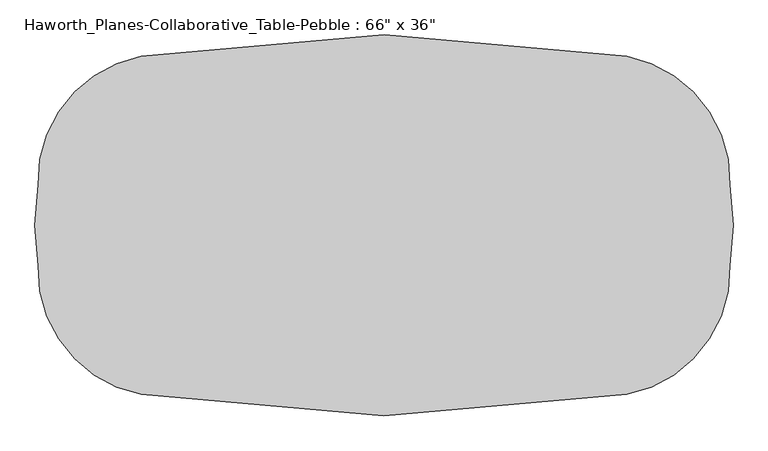
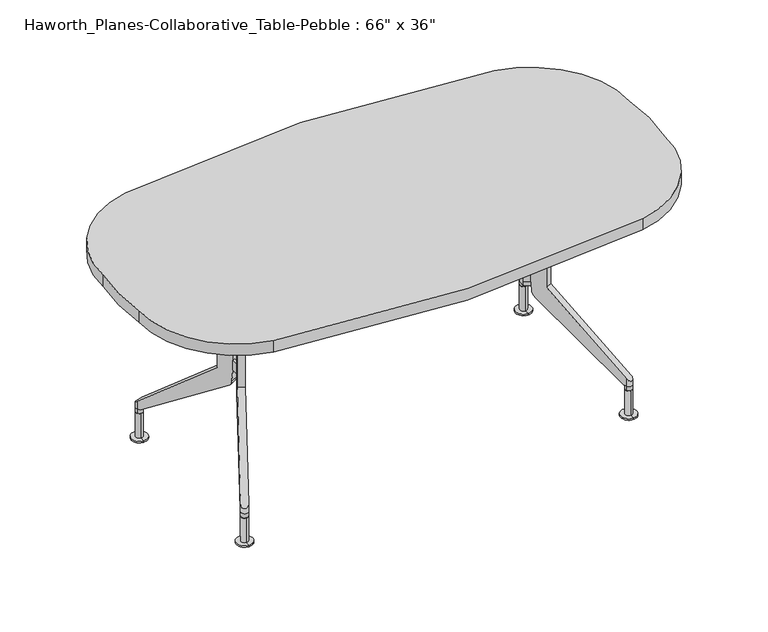
"""IFC4 building model written with IfcOpenShell, lengths in millimetres: furniture geometry."""

from ifc_helpers import new_model, si_unit, point, frame, frame_2d, origin, place, context, project, spatial, circle_curve, ellipse_curve, trimmed, segment, composite_curve, outline, extrude, source, transform, mapped, element, save
from ifc_brep_helpers import plane_surface, cylinder_surface, advanced_brep


def furniture_317c2e0c(model_context):
    return source(origin(), model_context, "Body", "SolidModel", [
        extrude(outline(composite_curve([segment(trimmed(circle_curve(frame_2d((525.669374, 106.7650968)), 304.8), [point((583.0794004, 406.1095955))], [point((830.3322689, 97.6239548))], False, "CARTESIAN"), True, "CONTINUOUS"), segment(trimmed(circle_curve(frame_2d((228.6, 0.0)), 609.6), [point((830.3322689, 97.6239548))], [point((830.3322689, -97.6239548))], False, "CARTESIAN"), True, "CONTINUOUS"), segment(trimmed(circle_curve(frame_2d((525.669374, -106.7650968)), 304.8), [point((830.3322689, -97.6239548))], [point((583.0794013, -406.1095953))], False, "CARTESIAN"), True, "CONTINUOUS"), segment(trimmed(circle_curve(frame_2d((0.0, 2895.6)), 3352.8), [point((583.0794013, -406.1095953))], [point((-583.0794031, -406.109595))], False, "CARTESIAN"), True, "CONTINUOUS"), segment(trimmed(circle_curve(frame_2d((-525.669374, -106.7650969)), 304.8), [point((-583.0794031, -406.109595))], [point((-830.3322689, -97.6239549))], False, "CARTESIAN"), True, "CONTINUOUS"), segment(trimmed(circle_curve(frame_2d((-228.6, 0.0)), 609.6), [point((-830.3322689, -97.6239549))], [point((-830.3322689, 97.6239548))], False, "CARTESIAN"), True, "CONTINUOUS"), segment(trimmed(circle_curve(frame_2d((-525.669374, 106.7650968)), 304.8), [point((-830.3322689, 97.6239548))], [point((-583.0793987, 406.1095958))], False, "CARTESIAN"), True, "CONTINUOUS"), segment(trimmed(circle_curve(frame_2d((0.0, -2895.6)), 3352.8), [point((-583.0793987, 406.1095958))], [point((583.0794004, 406.1095955))], False, "CARTESIAN"), True, "CONTINUOUS")], self_intersect=False)), frame((0.0, 0.0, 698.5), z_axis=(0.0, 0.0, 1.0), x_axis=(1.0, 0.0, 0.0)), (0.0, 0.0, 1.0), 38.1),
        advanced_brep(
        [(606.425, -276.6169029, 87.3125), (596.6062702, -292.9500622, 87.3125), (606.4071566, -298.8418958, 87.3125), (606.4160783, -287.7293994, 87.3125), (616.2298221, -282.5161384, 87.3125), (606.4160783, -287.7293994, 0.0), (606.3956859, -313.1293912, 0.0), (606.4364707, -262.3294076, 0.0), (606.3956859, -313.1293912, 4.7625), (606.4364707, -262.3294076, 4.7625), (606.4071566, -298.8418958, 4.7625), (606.425, -276.6169029, 4.7625), (606.4071566, -298.8418958, 81.9372337)],
        [
            (0, 1, circle_curve(frame((606.4160783, -287.7293994, 87.3125), z_axis=(0.0, 0.0, 1.0), x_axis=(0.0008028513696700732, 0.9999996777147871, 0.0)), 11.1125)),
            (1, 2, circle_curve(frame((606.4160783, -287.7293994, 87.3125), z_axis=(0.0, 0.0, 1.0), x_axis=(0.0008028513696700732, 0.9999996777147871, 0.0)), 11.1125)),
            (2, 3),
            (3, 0),
            (2, 4, circle_curve(frame((606.4160783, -287.7293994, 87.3125), z_axis=(0.0, 0.0, 1.0), x_axis=(0.0008028513696700732, 0.9999996777147871, 0.0)), 11.1125)),
            (4, 0, circle_curve(frame((606.4160783, -287.7293994, 87.3125), z_axis=(0.0, 0.0, 1.0), x_axis=(0.0008028513696700732, 0.9999996777147871, 0.0)), 11.1125)),
            (5, 6),
            (6, 7, circle_curve(frame((606.4160783, -287.7293994, 0.0), z_axis=(0.0, 0.0, -1.0), x_axis=(0.0008028513696700732, 0.9999996777147871, 0.0)), 25.4)),
            (7, 5),
            (7, 6, circle_curve(frame((606.4160783, -287.7293994, 0.0), z_axis=(0.0, 0.0, -1.0), x_axis=(0.0008028513696700732, 0.9999996777147871, 0.0)), 25.4)),
            (6, 8),
            (8, 9, circle_curve(frame((606.4160783, -287.7293994, 4.7625), z_axis=(0.0, 0.0, -1.0), x_axis=(0.0008028513696700732, 0.9999996777147871, 0.0)), 25.4)),
            (9, 7),
            (9, 8, circle_curve(frame((606.4160783, -287.7293994, 4.7625), z_axis=(0.0, 0.0, -1.0), x_axis=(0.0008028513696700732, 0.9999996777147871, 0.0)), 25.4)),
            (8, 10),
            (10, 11, circle_curve(frame((606.4160783, -287.7293994, 4.7625), z_axis=(0.0, 0.0, -1.0), x_axis=(0.0008028513696700732, 0.9999996777147871, 0.0)), 11.1125)),
            (11, 9),
            (11, 10, circle_curve(frame((606.4160783, -287.7293994, 4.7625), z_axis=(0.0, 0.0, -1.0), x_axis=(0.0008028513696700732, 0.9999996777147871, 0.0)), 11.1125)),
            (10, 12),
            (12, 2),
            (0, 11),
        ],
        [
            plane_surface(frame((606.4160783, -287.7293994, 87.3125), z_axis=(0.0, 0.0, 1.0), x_axis=(0.0008028513696700732, 0.9999996777147871, 0.0))),
            plane_surface(frame((606.4160783, -287.7293994, 0.0), z_axis=(0.0, 0.0, -1.0), x_axis=(0.0008028513696700732, 0.9999996777147871, 0.0))),
            cylinder_surface(frame((606.4160783, -287.7293994, 87.0927212), z_axis=(0.0, 0.0, -1.0), x_axis=(0.0008028513696700732, 0.9999996777147871, 0.0)), 25.4),
            plane_surface(frame((606.4160783, -287.7293994, 4.7625), z_axis=(0.0, 0.0, 1.0), x_axis=(0.0008028513696700732, 0.9999996777147871, 0.0))),
            cylinder_surface(frame((606.4160783, -287.7293994, 87.0927212), z_axis=(0.0, 0.0, -1.0), x_axis=(0.0008028513696700732, 0.9999996777147871, 0.0)), 11.1125),
        ],
        [
            (0, [[1, 2, 3, 4]]),
            (0, [[-3, 5, 6, -4]]),
            (1, [[7, 8, 9]]),
            (1, [[10, -7, -9]]),
            (2, [[11, 12, 13, -8]]),
            (2, [[-13, 14, -11, -10]]),
            (3, [[15, 16, 17, -12]]),
            (3, [[-17, 18, -15, -14]]),
            (4, [[19, 20, -2, -1, 21, -16]]),
            (4, [[-21, -6, -5, -20, -19, -18]]),
        ],
    ),
        advanced_brep(
        [(606.4339217, 287.7294065, 87.3125), (606.425, 298.8419029, 87.3125), (606.4428434, 276.6169101, 87.3125), (606.4135293, 313.1293983, 0.0), (606.4339217, 287.7294065, 0.0), (606.4543141, 262.3294147, 0.0), (606.4135293, 313.1293983, 4.7625), (606.4543141, 262.3294147, 4.7625), (606.425, 298.8419029, 4.7625), (606.4428434, 276.6169101, 4.7625)],
        [
            (0, 1),
            (1, 2, circle_curve(frame((606.4339217, 287.7294065, 87.3125), z_axis=(0.0, 0.0, 1.0), x_axis=(0.0008028513696700732, -0.9999996777147871, 0.0)), 11.1125)),
            (2, 0),
            (2, 1, circle_curve(frame((606.4339217, 287.7294065, 87.3125), z_axis=(0.0, 0.0, 1.0), x_axis=(0.0008028513696700732, -0.9999996777147871, 0.0)), 11.1125)),
            (3, 4),
            (4, 5),
            (5, 3, circle_curve(frame((606.4339217, 287.7294065, 0.0), z_axis=(0.0, 0.0, -1.0), x_axis=(0.0008028513696700732, -0.9999996777147871, 0.0)), 25.4)),
            (3, 5, circle_curve(frame((606.4339217, 287.7294065, 0.0), z_axis=(0.0, 0.0, -1.0), x_axis=(0.0008028513696700732, -0.9999996777147871, 0.0)), 25.4)),
            (6, 3),
            (5, 7),
            (7, 6, circle_curve(frame((606.4339217, 287.7294065, 4.7625), z_axis=(0.0, 0.0, -1.0), x_axis=(0.0008028513696700732, -0.9999996777147871, 0.0)), 25.4)),
            (6, 7, circle_curve(frame((606.4339217, 287.7294065, 4.7625), z_axis=(0.0, 0.0, -1.0), x_axis=(0.0008028513696700732, -0.9999996777147871, 0.0)), 25.4)),
            (8, 6),
            (7, 9),
            (9, 8, circle_curve(frame((606.4339217, 287.7294065, 4.7625), z_axis=(0.0, 0.0, -1.0), x_axis=(0.0008028513696700732, -0.9999996777147871, 0.0)), 11.1125)),
            (8, 9, circle_curve(frame((606.4339217, 287.7294065, 4.7625), z_axis=(0.0, 0.0, -1.0), x_axis=(0.0008028513696700732, -0.9999996777147871, 0.0)), 11.1125)),
            (1, 8),
            (9, 2),
        ],
        [
            plane_surface(frame((606.4339217, 287.7294065, 87.3125), z_axis=(0.0, 0.0, 1.0), x_axis=(0.0008028513696700732, -0.9999996777147871, 0.0))),
            plane_surface(frame((606.4339217, 287.7294065, 0.0), z_axis=(0.0, 0.0, -1.0), x_axis=(0.0008028513696700732, -0.9999996777147871, 0.0))),
            cylinder_surface(frame((606.4339217, 287.7294065, 87.0927212), z_axis=(0.0, 0.0, 1.0), x_axis=(0.0008028513696700732, -0.9999996777147871, 0.0)), 25.4),
            plane_surface(frame((606.4339217, 287.7294065, 4.7625), z_axis=(0.0, 0.0, 1.0), x_axis=(0.0008028513696700732, -0.9999996777147871, 0.0))),
            cylinder_surface(frame((606.4339217, 287.7294065, 87.0927212), z_axis=(0.0, 0.0, 1.0), x_axis=(0.0008028513696700732, -0.9999996777147871, 0.0)), 11.1125),
        ],
        [
            (0, [[1, 2, 3]]),
            (0, [[-3, 4, -1]]),
            (1, [[5, 6, 7]]),
            (1, [[-6, -5, 8]]),
            (2, [[9, -7, 10, 11]]),
            (2, [[-10, -8, -9, 12]]),
            (3, [[13, -11, 14, 15]]),
            (3, [[-14, -12, -13, 16]]),
            (4, [[17, -15, 18, -2]]),
            (4, [[-18, -16, -17, -4]]),
        ],
    ),
        advanced_brep(
        [(471.4875, 10.2759364, 346.075), (471.4875, -10.2759364, 346.075), (463.1624427, -14.7024039, 346.075), (463.1624427, 14.7024039, 346.075), (463.1624427, -14.7024039, 377.825), (463.1624427, 14.7024039, 377.825), (471.4875, -10.2759364, 377.825), (471.4875, 10.2759364, 377.825), (596.6132234, 292.9463652, 127.0692937), (616.2367766, 282.5124407, 127.0692937), (616.2367766, 282.5124407, 102.60711), (596.6132234, 292.9463652, 102.60711), (475.7129171, 65.5636971, 698.5), (475.7129171, 65.5636971, 336.5430612), (592.2759245, 284.7890113, 102.60711), (458.4901681, 33.1720949, 289.5346), (453.0554044, 22.9506894, 309.598894), (451.8639467, 20.709861, 345.8924055), (451.8639467, 20.709861, 698.5), (495.3364704, 55.1297725, 698.5), (471.4875, 10.2759364, 698.5), (471.4875, 10.2759364, 345.8924055), (472.6789577, 12.5167648, 309.598894), (478.1137214, 22.7381703, 289.5346), (611.8994778, 274.3550868, 102.60711), (495.3364704, 55.1297725, 336.5430612), (596.6353129, 282.4711065, 102.60711), (607.5400894, 276.6729916, 102.60711), (616.2367766, 282.5124407, 87.3125), (596.6132234, 292.9463652, 87.3125), (596.6132234, -292.9463652, 102.60711), (616.2367766, -282.5124407, 102.60711), (616.2367766, -282.5124407, 127.0692937), (596.6132234, -292.9463652, 127.0692937), (475.7129171, -65.5636971, 698.5), (451.8639467, -20.709861, 698.5), (451.8639467, -20.709861, 345.8924055), (453.0554044, -22.9506894, 309.598894), (458.4901681, -33.1720949, 289.5346), (592.2759245, -284.7890113, 102.60711), (475.7129171, -65.5636971, 336.5430612), (495.3364704, -55.1297725, 698.5), (495.3364704, -55.1297725, 336.5430612), (611.8994778, -274.3550868, 102.60711), (478.1137214, -22.7381703, 289.5346), (472.6789577, -12.5167648, 309.598894), (471.4875, -10.2759364, 345.8924055), (471.4875, -10.2759364, 698.5), (607.5400894, -276.6729916, 102.60711), (596.6353129, -282.4711065, 102.60711), (616.2367766, -282.5124407, 87.3125), (596.6132234, -292.9463652, 87.3125)],
        [
            (0, 1),
            (1, 2),
            (2, 3),
            (3, 0),
            (2, 4),
            (4, 5),
            (5, 3),
            (4, 6),
            (6, 7),
            (7, 5),
            (6, 1),
            (0, 7),
            (8, 9, ellipse_curve(frame((606.425, 287.7294029, 127.0692937), z_axis=(-0.2962420452940763, -0.5571557985508705, -0.7757693386188477), x_axis=(0.36419881858687636, 0.6849651723124673, -0.6310165871503504)), 14.3244898, 11.1125)),
            (9, 10),
            (10, 11, circle_curve(frame((606.425, 287.7294029, 102.60711), z_axis=(0.0, 0.0, 1.0), x_axis=(-0.8829495292143882, 0.4694679210128104, 0.0)), 11.1125)),
            (11, 8),
            (12, 13),
            (13, 8),
            (11, 14),
            (14, 15),
            (15, 16, circle_curve(frame((465.4363015, 46.2360018, 311.4430172), z_axis=(-0.8829495292143855, 0.4694679210128154, 0.0), x_axis=(-0.4694679210128154, -0.8829495292143855, 0.0)), 26.4365879)),
            (16, 17),
            (17, 18),
            (18, 12),
            (19, 20),
            (20, 7),
            (0, 21),
            (21, 22),
            (22, 23, circle_curve(frame((485.0598548, 35.8020773, 311.4430172), z_axis=(0.8829495292143855, -0.4694679210128154, 0.0), x_axis=(-0.4694679210128154, -0.8829495292143855, 0.0)), 26.4365879)),
            (23, 24),
            (24, 10),
            (9, 25),
            (25, 19),
            (18, 20),
            (19, 12),
            (17, 21),
            (16, 22),
            (15, 23),
            (14, 26),
            (26, 27),
            (27, 24),
            (13, 25),
            (27, 10, circle_curve(frame((606.425, 287.7294029, 102.60711), z_axis=(0.0, 0.0, 1.0), x_axis=(-0.8829495292143882, 0.4694679210128104, 0.0)), 11.1125)),
            (11, 26, circle_curve(frame((606.425, 287.7294029, 102.60711), z_axis=(0.0, 0.0, 1.0), x_axis=(-0.8829495292143882, 0.4694679210128104, 0.0)), 11.1125)),
            (26, 27, circle_curve(frame((606.425, 287.7294029, 102.60711), z_axis=(0.0, 0.0, 1.0), x_axis=(-0.8829495292143882, 0.4694679210128104, 0.0)), 11.1125)),
            (28, 29, circle_curve(frame((606.425, 287.7294029, 87.3125), z_axis=(0.0, 0.0, -1.0), x_axis=(-0.8829495292143882, 0.4694679210128104, 0.0)), 11.1125)),
            (29, 28, circle_curve(frame((606.425, 287.7294029, 87.3125), z_axis=(0.0, 0.0, -1.0), x_axis=(-0.8829495292143882, 0.4694679210128104, 0.0)), 11.1125)),
            (29, 11),
            (10, 28),
            (30, 31, circle_curve(frame((606.425, -287.7294029, 102.60711), z_axis=(0.0, 0.0, 1.0), x_axis=(-0.8829495292143882, -0.4694679210128104, 0.0)), 11.1125)),
            (31, 32),
            (32, 33, ellipse_curve(frame((606.425, -287.7294029, 127.0692937), z_axis=(-0.29624204529407705, 0.5571557985508702, -0.7757693386188476), x_axis=(0.36419881858687714, -0.6849651723124666, -0.6310165871503505)), 14.3244898, 11.1125)),
            (33, 30),
            (34, 35),
            (35, 36),
            (36, 37),
            (37, 38, circle_curve(frame((465.4363015, -46.2360018, 311.4430172), z_axis=(-0.8829495292143855, -0.4694679210128154, 0.0), x_axis=(-0.4694679210128154, 0.8829495292143855, 0.0)), 26.4365879)),
            (38, 39),
            (39, 30),
            (33, 40),
            (40, 34),
            (41, 42),
            (42, 32),
            (31, 43),
            (43, 44),
            (44, 45, circle_curve(frame((485.0598548, -35.8020773, 311.4430172), z_axis=(0.8829495292143855, 0.4694679210128154, 0.0), x_axis=(-0.4694679210128154, 0.8829495292143855, 0.0)), 26.4365879)),
            (45, 46),
            (46, 1),
            (6, 47),
            (47, 41),
            (34, 41),
            (47, 35),
            (46, 36),
            (45, 37),
            (44, 38),
            (43, 48),
            (48, 49),
            (49, 39),
            (42, 40),
            (49, 30, circle_curve(frame((606.425, -287.7294029, 102.60711), z_axis=(0.0, 0.0, 1.0), x_axis=(-0.8829495292143882, -0.4694679210128104, 0.0)), 11.1125)),
            (31, 48, circle_curve(frame((606.425, -287.7294029, 102.60711), z_axis=(0.0, 0.0, 1.0), x_axis=(-0.8829495292143882, -0.4694679210128104, 0.0)), 11.1125)),
            (48, 49, circle_curve(frame((606.425, -287.7294029, 102.60711), z_axis=(0.0, 0.0, 1.0), x_axis=(-0.8829495292143882, -0.4694679210128104, 0.0)), 11.1125)),
            (50, 51, circle_curve(frame((606.425, -287.7294029, 87.3125), z_axis=(0.0, 0.0, -1.0), x_axis=(-0.8829495292143882, -0.4694679210128104, 0.0)), 11.1125)),
            (51, 50, circle_curve(frame((606.425, -287.7294029, 87.3125), z_axis=(0.0, 0.0, -1.0), x_axis=(-0.8829495292143882, -0.4694679210128104, 0.0)), 11.1125)),
            (50, 31),
            (30, 51),
        ],
        [
            plane_surface(frame((471.4875, -25.4, 346.075), z_axis=(0.0, 0.0, -1.0), x_axis=(0.0, 1.0, 0.0))),
            plane_surface(frame((463.1624427, -25.4, 346.075), z_axis=(-1.0, 0.0, 0.0), x_axis=(0.0, 1.0, 0.0))),
            plane_surface(frame((463.1624427, -25.4, 377.825), z_axis=(0.0, 0.0, 1.0), x_axis=(0.0, 1.0, 0.0))),
            plane_surface(frame((471.4875, -25.4, 377.825), z_axis=(1.0, 0.0, 0.0), x_axis=(0.0, 1.0, 0.0))),
            cylinder_surface(frame((606.425, 287.7294029, 81.9372337), z_axis=(0.0, 0.0, -1.0), x_axis=(-0.8829495292143882, 0.4694679210128104, 0.0)), 11.1125),
            plane_surface(frame((451.8639467, 20.709861, 698.5), z_axis=(-0.8829495292143855, 0.4694679210128154, 0.0), x_axis=(-0.4694679210128154, -0.8829495292143855, 0.0))),
            plane_surface(frame((471.4875, 10.2759364, 698.5), z_axis=(0.8829495292143855, -0.4694679210128154, 0.0), x_axis=(0.4694679210128154, 0.8829495292143855, 0.0))),
            plane_surface(frame((475.7129171, 65.5636971, 698.5), z_axis=(0.0, 0.0, 1.0000000000000002), x_axis=(0.8829495292143855, -0.4694679210128154, 0.0))),
            plane_surface(frame((451.8639467, 20.709861, 698.5), z_axis=(-0.4694679210128153, -0.8829495292143855, 0.0), x_axis=(0.8829495292143855, -0.4694679210128153, 0.0))),
            plane_surface(frame((451.8639467, 20.709861, 345.8924055), z_axis=(-0.4683243207526016, -0.880798708538104, -0.06975647374418203), x_axis=(0.8829495292143855, -0.4694679210128154, 0.0))),
            cylinder_surface(frame((485.0598548, 35.8020773, 311.4430172), z_axis=(-0.8829495292143855, 0.4694679210128154, 0.0), x_axis=(-0.4694679210128154, -0.8829495292143855, 0.0)), 26.4365879),
            plane_surface(frame((458.4901681, 33.1720949, 289.5346), z_axis=(-0.2574936485451524, -0.48427993816521164, -0.8361638370855348), x_axis=(0.8829495292143855, -0.4694679210128154, 0.0))),
            plane_surface(frame((602.625069, 304.2531149, 116.6530756), z_axis=(0.2962420452940763, 0.5571557985508705, 0.7757693386188477), x_axis=(0.8829495292143861, -0.4694679210128142, 0.0))),
            plane_surface(frame((475.7129171, 65.5636971, 336.5430612), z_axis=(0.4694679210128154, 0.8829495292143855, 0.0), x_axis=(0.8829495292143855, -0.4694679210128154, 0.0))),
            plane_surface(frame((592.2759245, 284.7890113, 102.60711), z_axis=(0.0, 0.0, -1.0), x_axis=(0.8829495292143861, -0.4694679210128142, 0.0))),
            plane_surface(frame((596.6132234, 292.9463652, 102.60711), z_axis=(0.0, 0.0, 1.0), x_axis=(0.4694679210128104, 0.8829495292143882, 0.0))),
            plane_surface(frame((596.6132234, 292.9463652, 87.3125), z_axis=(0.0, 0.0, -1.0), x_axis=(-0.4694679210128104, -0.8829495292143882, 0.0))),
            cylinder_surface(frame((606.425, 287.7294029, 87.3125), z_axis=(0.0, 0.0, 1.0), x_axis=(-0.8829495292143882, 0.4694679210128104, 0.0)), 11.1125),
            cylinder_surface(frame((606.425, -287.7294029, 81.9372337), z_axis=(0.0, 0.0, -1.0), x_axis=(-0.8829495292143882, -0.4694679210128104, 0.0)), 11.1125),
            plane_surface(frame((475.7129171, -65.5636971, 336.5430612), z_axis=(-0.8829495292143855, -0.4694679210128154, 0.0), x_axis=(0.0, 0.0, -1.0))),
            plane_surface(frame((495.3364704, -55.1297725, 336.5430612), z_axis=(0.8829495292143855, 0.4694679210128154, 0.0), x_axis=(0.0, 0.0, 1.0))),
            plane_surface(frame((451.8639467, -20.709861, 698.5), z_axis=(0.0, 0.0, 1.0000000000000002), x_axis=(0.8829495292143855, 0.4694679210128154, 0.0))),
            plane_surface(frame((451.8639467, -20.709861, 345.8924055), z_axis=(-0.4694679210128154, 0.8829495292143855, 0.0), x_axis=(0.8829495292143855, 0.4694679210128154, 0.0))),
            plane_surface(frame((453.0554044, -22.9506894, 309.598894), z_axis=(-0.4683243207526023, 0.8807987085381044, -0.06975647374417179), x_axis=(0.8829495292143853, 0.4694679210128158, 0.0))),
            cylinder_surface(frame((485.0598548, -35.8020773, 311.4430172), z_axis=(-0.8829495292143855, -0.4694679210128154, 0.0), x_axis=(-0.4694679210128154, 0.8829495292143855, 0.0)), 26.4365879),
            plane_surface(frame((592.2759245, -284.7890113, 102.60711), z_axis=(-0.25749364854515144, 0.48427993816520987, -0.8361638370855359), x_axis=(0.8829495292143855, 0.4694679210128154, 0.0))),
            plane_surface(frame((475.7129171, -65.5636971, 336.5430612), z_axis=(0.2962420452940771, -0.5571557985508703, 0.7757693386188478), x_axis=(0.8829495292143855, 0.4694679210128154, 0.0))),
            plane_surface(frame((475.7129171, -65.5636971, 698.5), z_axis=(0.4694679210128154, -0.8829495292143855, 0.0), x_axis=(0.8829495292143855, 0.4694679210128154, 0.0))),
            plane_surface(frame((602.625069, -304.2531149, 102.60711), z_axis=(0.0, 0.0, -1.0), x_axis=(0.8829495292143853, 0.4694679210128157, 0.0))),
            plane_surface(frame((596.6132234, -292.9463652, 102.60711), z_axis=(0.0, 0.0, 1.0), x_axis=(-0.4694679210128104, 0.8829495292143882, 0.0))),
            plane_surface(frame((596.6132234, -292.9463652, 87.3125), z_axis=(0.0, 0.0, -1.0), x_axis=(0.4694679210128104, -0.8829495292143882, 0.0))),
            cylinder_surface(frame((606.425, -287.7294029, 87.3125), z_axis=(0.0, 0.0, 1.0), x_axis=(-0.8829495292143882, -0.4694679210128104, 0.0)), 11.1125),
        ],
        [
            (0, [[1, 2, 3, 4]]),
            (1, [[-3, 5, 6, 7]]),
            (2, [[-6, 8, 9, 10]]),
            (3, [[-9, 11, -1, 12]]),
            (4, [[13, 14, 15, 16]]),
            (5, [[17, 18, -16, 19, 20, 21, 22, 23, 24]]),
            (6, [[25, 26, -12, 27, 28, 29, 30, 31, -14, 32, 33]]),
            (7, [[34, -25, 35, -24]]),
            (8, [[36, -27, -4, -7, -10, -26, -34, -23]]),
            (9, [[37, -28, -36, -22]]),
            (10, [[38, -29, -37, -21]]),
            (11, [[39, 40, 41, -30, -38, -20]]),
            (12, [[-32, -13, -18, 42]]),
            (13, [[-35, -33, -42, -17]]),
            (14, [[-41, 43, -31]]),
            (14, [[44, -39, -19]]),
            (15, [[-40, 45]]),
            (16, [[46, 47]]),
            (17, [[48, -15, 49, -47]]),
            (17, [[-49, -43, -45, -44, -48, -46]]),
            (18, [[50, 51, 52, 53]]),
            (19, [[54, 55, 56, 57, 58, 59, -53, 60, 61]]),
            (20, [[62, 63, -51, 64, 65, 66, 67, 68, -11, 69, 70]]),
            (21, [[71, -70, 72, -54]]),
            (22, [[-72, -69, -8, -5, -2, -68, 73, -55]]),
            (23, [[-73, -67, 74, -56]]),
            (24, [[-74, -66, 75, -57]]),
            (25, [[-75, -65, 76, 77, 78, -58]]),
            (26, [[-60, -52, -63, 79]]),
            (27, [[-79, -62, -71, -61]]),
            (28, [[-78, 80, -59]]),
            (28, [[81, -76, -64]]),
            (29, [[-77, 82]]),
            (30, [[83, 84]]),
            (31, [[85, -50, 86, -83]]),
            (31, [[-86, -80, -82, -81, -85, -84]]),
        ],
    ),
        advanced_brep(
        [(-606.425, -276.6169029, 87.3125), (-606.4160783, -287.7293994, 87.3125), (-606.4071566, -298.8418958, 87.3125), (-596.6062702, -292.9500622, 87.3125), (-616.2298221, -282.5161384, 87.3125), (-606.4160783, -287.7293994, 0.0), (-606.4364707, -262.3294076, 0.0), (-606.3956859, -313.1293912, 0.0), (-606.4364707, -262.3294076, 4.7625), (-606.3956859, -313.1293912, 4.7625), (-606.425, -276.6169029, 4.7625), (-606.4071566, -298.8418958, 4.7625), (-606.4071566, -298.8418958, 81.9372337)],
        [
            (0, 1),
            (1, 2),
            (2, 3, circle_curve(frame((-606.4160783, -287.7293994, 87.3125), z_axis=(0.0, 0.0, 1.0), x_axis=(-0.0008028513696700732, 0.9999996777147871, 0.0)), 11.1125)),
            (3, 0, circle_curve(frame((-606.4160783, -287.7293994, 87.3125), z_axis=(0.0, 0.0, 1.0), x_axis=(-0.0008028513696700732, 0.9999996777147871, 0.0)), 11.1125)),
            (0, 4, circle_curve(frame((-606.4160783, -287.7293994, 87.3125), z_axis=(0.0, 0.0, 1.0), x_axis=(-0.0008028513696700732, 0.9999996777147871, 0.0)), 11.1125)),
            (4, 2, circle_curve(frame((-606.4160783, -287.7293994, 87.3125), z_axis=(0.0, 0.0, 1.0), x_axis=(-0.0008028513696700732, 0.9999996777147871, 0.0)), 11.1125)),
            (5, 6),
            (6, 7, circle_curve(frame((-606.4160783, -287.7293994, 0.0), z_axis=(0.0, 0.0, -1.0), x_axis=(-0.0008028513696700732, 0.9999996777147871, 0.0)), 25.4)),
            (7, 5),
            (7, 6, circle_curve(frame((-606.4160783, -287.7293994, 0.0), z_axis=(0.0, 0.0, -1.0), x_axis=(-0.0008028513696700732, 0.9999996777147871, 0.0)), 25.4)),
            (6, 8),
            (8, 9, circle_curve(frame((-606.4160783, -287.7293994, 4.7625), z_axis=(0.0, 0.0, -1.0), x_axis=(-0.0008028513696700732, 0.9999996777147871, 0.0)), 25.4)),
            (9, 7),
            (9, 8, circle_curve(frame((-606.4160783, -287.7293994, 4.7625), z_axis=(0.0, 0.0, -1.0), x_axis=(-0.0008028513696700732, 0.9999996777147871, 0.0)), 25.4)),
            (8, 10),
            (10, 11, circle_curve(frame((-606.4160783, -287.7293994, 4.7625), z_axis=(0.0, 0.0, -1.0), x_axis=(-0.0008028513696700732, 0.9999996777147871, 0.0)), 11.1125)),
            (11, 9),
            (11, 10, circle_curve(frame((-606.4160783, -287.7293994, 4.7625), z_axis=(0.0, 0.0, -1.0), x_axis=(-0.0008028513696700732, 0.9999996777147871, 0.0)), 11.1125)),
            (10, 0),
            (2, 12),
            (12, 11),
        ],
        [
            plane_surface(frame((-606.4160783, -287.7293994, 87.3125), z_axis=(0.0, 0.0, 1.0), x_axis=(-0.0008028513696700732, 0.9999996777147871, 0.0))),
            plane_surface(frame((-606.4160783, -287.7293994, 0.0), z_axis=(0.0, 0.0, -1.0), x_axis=(-0.0008028513696700732, 0.9999996777147871, 0.0))),
            cylinder_surface(frame((-606.4160783, -287.7293994, 87.0927212), z_axis=(0.0, 0.0, -1.0), x_axis=(-0.0008028513696700732, 0.9999996777147871, 0.0)), 25.4),
            plane_surface(frame((-606.4160783, -287.7293994, 4.7625), z_axis=(0.0, 0.0, 1.0), x_axis=(-0.0008028513696700732, 0.9999996777147871, 0.0))),
            cylinder_surface(frame((-606.4160783, -287.7293994, 87.0927212), z_axis=(0.0, 0.0, -1.0), x_axis=(-0.0008028513696700732, 0.9999996777147871, 0.0)), 11.1125),
        ],
        [
            (0, [[1, 2, 3, 4]]),
            (0, [[-1, 5, 6, -2]]),
            (1, [[7, 8, 9]]),
            (1, [[-7, -9, 10]]),
            (2, [[-8, 11, 12, 13]]),
            (2, [[-10, -13, 14, -11]]),
            (3, [[-12, 15, 16, 17]]),
            (3, [[-14, -17, 18, -15]]),
            (4, [[-16, 19, -4, -3, 20, 21]]),
            (4, [[-18, -21, -20, -6, -5, -19]]),
        ],
    ),
        advanced_brep(
        [(-606.4339217, 287.7294065, 87.3125), (-606.4428434, 276.6169101, 87.3125), (-606.425, 298.8419029, 87.3125), (-606.4135293, 313.1293983, 0.0), (-606.4543141, 262.3294147, 0.0), (-606.4339217, 287.7294065, 0.0), (-606.4135293, 313.1293983, 4.7625), (-606.4543141, 262.3294147, 4.7625), (-606.425, 298.8419029, 4.7625), (-606.4428434, 276.6169101, 4.7625)],
        [
            (0, 1),
            (1, 2, circle_curve(frame((-606.4339217, 287.7294065, 87.3125), z_axis=(0.0, 0.0, 1.0), x_axis=(-0.0008028513696700732, -0.9999996777147871, 0.0)), 11.1125)),
            (2, 0),
            (2, 1, circle_curve(frame((-606.4339217, 287.7294065, 87.3125), z_axis=(0.0, 0.0, 1.0), x_axis=(-0.0008028513696700732, -0.9999996777147871, 0.0)), 11.1125)),
            (3, 4, circle_curve(frame((-606.4339217, 287.7294065, 0.0), z_axis=(0.0, 0.0, -1.0), x_axis=(-0.0008028513696700732, -0.9999996777147871, 0.0)), 25.4)),
            (4, 5),
            (5, 3),
            (4, 3, circle_curve(frame((-606.4339217, 287.7294065, 0.0), z_axis=(0.0, 0.0, -1.0), x_axis=(-0.0008028513696700732, -0.9999996777147871, 0.0)), 25.4)),
            (6, 7, circle_curve(frame((-606.4339217, 287.7294065, 4.7625), z_axis=(0.0, 0.0, -1.0), x_axis=(-0.0008028513696700732, -0.9999996777147871, 0.0)), 25.4)),
            (7, 4),
            (3, 6),
            (7, 6, circle_curve(frame((-606.4339217, 287.7294065, 4.7625), z_axis=(0.0, 0.0, -1.0), x_axis=(-0.0008028513696700732, -0.9999996777147871, 0.0)), 25.4)),
            (8, 9, circle_curve(frame((-606.4339217, 287.7294065, 4.7625), z_axis=(0.0, 0.0, -1.0), x_axis=(-0.0008028513696700732, -0.9999996777147871, 0.0)), 11.1125)),
            (9, 7),
            (6, 8),
            (9, 8, circle_curve(frame((-606.4339217, 287.7294065, 4.7625), z_axis=(0.0, 0.0, -1.0), x_axis=(-0.0008028513696700732, -0.9999996777147871, 0.0)), 11.1125)),
            (1, 9),
            (8, 2),
        ],
        [
            plane_surface(frame((-606.4339217, 287.7294065, 87.3125), z_axis=(0.0, 0.0, 1.0), x_axis=(-0.0008028513696700732, -0.9999996777147871, 0.0))),
            plane_surface(frame((-606.4339217, 287.7294065, 0.0), z_axis=(0.0, 0.0, -1.0), x_axis=(-0.0008028513696700732, -0.9999996777147871, 0.0))),
            cylinder_surface(frame((-606.4339217, 287.7294065, 87.0927212), z_axis=(0.0, 0.0, 1.0), x_axis=(-0.0008028513696700732, -0.9999996777147871, 0.0)), 25.4),
            plane_surface(frame((-606.4339217, 287.7294065, 4.7625), z_axis=(0.0, 0.0, 1.0), x_axis=(-0.0008028513696700732, -0.9999996777147871, 0.0))),
            cylinder_surface(frame((-606.4339217, 287.7294065, 87.0927212), z_axis=(0.0, 0.0, 1.0), x_axis=(-0.0008028513696700732, -0.9999996777147871, 0.0)), 11.1125),
        ],
        [
            (0, [[1, 2, 3]]),
            (0, [[-3, 4, -1]]),
            (1, [[5, 6, 7]]),
            (1, [[8, -7, -6]]),
            (2, [[9, 10, -5, 11]]),
            (2, [[12, -11, -8, -10]]),
            (3, [[13, 14, -9, 15]]),
            (3, [[16, -15, -12, -14]]),
            (4, [[-2, 17, -13, 18]]),
            (4, [[-4, -18, -16, -17]]),
        ],
    ),
        advanced_brep(
        [(-471.4875, 10.2759364, 346.075), (-463.1624427, 14.7024039, 346.075), (-463.1624427, -14.7024039, 346.075), (-471.4875, -10.2759364, 346.075), (-463.1624427, 14.7024039, 377.825), (-463.1624427, -14.7024039, 377.825), (-471.4875, 10.2759364, 377.825), (-471.4875, -10.2759364, 377.825), (-596.6132234, 292.9463652, 127.0692937), (-596.6132234, 292.9463652, 102.60711), (-616.2367766, 282.5124407, 102.60711), (-616.2367766, 282.5124407, 127.0692937), (-475.7129171, 65.5636971, 698.5), (-451.8639467, 20.709861, 698.5), (-451.8639467, 20.709861, 345.8924055), (-453.0554044, 22.9506894, 309.598894), (-458.4901681, 33.1720949, 289.5346), (-592.2759245, 284.7890113, 102.60711), (-475.7129171, 65.5636971, 336.5430612), (-495.3364704, 55.1297725, 698.5), (-495.3364704, 55.1297725, 336.5430612), (-611.8994778, 274.3550868, 102.60711), (-478.1137214, 22.7381703, 289.5346), (-472.6789577, 12.5167648, 309.598894), (-471.4875, 10.2759364, 345.8924055), (-471.4875, 10.2759364, 698.5), (-607.5400894, 276.6729916, 102.60711), (-596.6353129, 282.4711065, 102.60711), (-616.2367766, 282.5124407, 87.3125), (-596.6132234, 292.9463652, 87.3125), (-596.6132234, -292.9463652, 102.60711), (-596.6132234, -292.9463652, 127.0692937), (-616.2367766, -282.5124407, 127.0692937), (-616.2367766, -282.5124407, 102.60711), (-475.7129171, -65.5636971, 698.5), (-475.7129171, -65.5636971, 336.5430612), (-592.2759245, -284.7890113, 102.60711), (-458.4901681, -33.1720949, 289.5346), (-453.0554044, -22.9506894, 309.598894), (-451.8639467, -20.709861, 345.8924055), (-451.8639467, -20.709861, 698.5), (-495.3364704, -55.1297725, 698.5), (-471.4875, -10.2759364, 698.5), (-471.4875, -10.2759364, 345.8924055), (-472.6789577, -12.5167648, 309.598894), (-478.1137214, -22.7381703, 289.5346), (-611.8994778, -274.3550868, 102.60711), (-495.3364704, -55.1297725, 336.5430612), (-596.6353129, -282.4711065, 102.60711), (-607.5400894, -276.6729916, 102.60711), (-616.2367766, -282.5124407, 87.3125), (-596.6132234, -292.9463652, 87.3125)],
        [
            (0, 1),
            (1, 2),
            (2, 3),
            (3, 0),
            (1, 4),
            (4, 5),
            (5, 2),
            (4, 6),
            (6, 7),
            (7, 5),
            (6, 0),
            (3, 7),
            (8, 9),
            (9, 10, circle_curve(frame((-606.425, 287.7294029, 102.60711), z_axis=(0.0, 0.0, 1.0), x_axis=(0.8829495292143882, 0.4694679210128104, 0.0)), 11.1125)),
            (10, 11),
            (11, 8, ellipse_curve(frame((-606.425, 287.7294029, 127.0692937), z_axis=(0.2962420452940763, -0.5571557985508705, -0.7757693386188477), x_axis=(-0.36419881858687636, 0.6849651723124673, -0.6310165871503504)), 14.3244898, 11.1125)),
            (12, 13),
            (13, 14),
            (14, 15),
            (15, 16, circle_curve(frame((-465.4363015, 46.2360018, 311.4430172), z_axis=(0.8829495292143855, 0.4694679210128154, 0.0), x_axis=(0.4694679210128154, -0.8829495292143855, 0.0)), 26.4365879)),
            (16, 17),
            (17, 9),
            (8, 18),
            (18, 12),
            (19, 20),
            (20, 11),
            (10, 21),
            (21, 22),
            (22, 23, circle_curve(frame((-485.0598548, 35.8020773, 311.4430172), z_axis=(-0.8829495292143855, -0.4694679210128154, 0.0), x_axis=(0.4694679210128154, -0.8829495292143855, 0.0)), 26.4365879)),
            (23, 24),
            (24, 0),
            (6, 25),
            (25, 19),
            (12, 19),
            (25, 13),
            (24, 14),
            (23, 15),
            (22, 16),
            (21, 26),
            (26, 27),
            (27, 17),
            (20, 18),
            (27, 9, circle_curve(frame((-606.425, 287.7294029, 102.60711), z_axis=(0.0, 0.0, 1.0), x_axis=(0.8829495292143882, 0.4694679210128104, 0.0)), 11.1125)),
            (10, 26, circle_curve(frame((-606.425, 287.7294029, 102.60711), z_axis=(0.0, 0.0, 1.0), x_axis=(0.8829495292143882, 0.4694679210128104, 0.0)), 11.1125)),
            (26, 27, circle_curve(frame((-606.425, 287.7294029, 102.60711), z_axis=(0.0, 0.0, 1.0), x_axis=(0.8829495292143882, 0.4694679210128104, 0.0)), 11.1125)),
            (28, 29, circle_curve(frame((-606.425, 287.7294029, 87.3125), z_axis=(0.0, 0.0, -1.0), x_axis=(0.8829495292143882, 0.4694679210128104, 0.0)), 11.1125)),
            (29, 28, circle_curve(frame((-606.425, 287.7294029, 87.3125), z_axis=(0.0, 0.0, -1.0), x_axis=(0.8829495292143882, 0.4694679210128104, 0.0)), 11.1125)),
            (28, 10),
            (9, 29),
            (30, 31),
            (31, 32, ellipse_curve(frame((-606.425, -287.7294029, 127.0692937), z_axis=(0.29624204529407705, 0.5571557985508702, -0.7757693386188476), x_axis=(-0.36419881858687714, -0.6849651723124666, -0.6310165871503505)), 14.3244898, 11.1125)),
            (32, 33),
            (33, 30, circle_curve(frame((-606.425, -287.7294029, 102.60711), z_axis=(0.0, 0.0, 1.0), x_axis=(0.8829495292143882, -0.4694679210128104, 0.0)), 11.1125)),
            (34, 35),
            (35, 31),
            (30, 36),
            (36, 37),
            (37, 38, circle_curve(frame((-465.4363015, -46.2360018, 311.4430172), z_axis=(0.8829495292143855, -0.4694679210128154, 0.0), x_axis=(0.4694679210128154, 0.8829495292143855, 0.0)), 26.4365879)),
            (38, 39),
            (39, 40),
            (40, 34),
            (41, 42),
            (42, 7),
            (3, 43),
            (43, 44),
            (44, 45, circle_curve(frame((-485.0598548, -35.8020773, 311.4430172), z_axis=(-0.8829495292143855, 0.4694679210128154, 0.0), x_axis=(0.4694679210128154, 0.8829495292143855, 0.0)), 26.4365879)),
            (45, 46),
            (46, 33),
            (32, 47),
            (47, 41),
            (40, 42),
            (41, 34),
            (39, 43),
            (38, 44),
            (37, 45),
            (36, 48),
            (48, 49),
            (49, 46),
            (35, 47),
            (30, 48, circle_curve(frame((-606.425, -287.7294029, 102.60711), z_axis=(0.0, 0.0, 1.0), x_axis=(0.8829495292143882, -0.4694679210128104, 0.0)), 11.1125)),
            (49, 33, circle_curve(frame((-606.425, -287.7294029, 102.60711), z_axis=(0.0, 0.0, 1.0), x_axis=(0.8829495292143882, -0.4694679210128104, 0.0)), 11.1125)),
            (48, 49, circle_curve(frame((-606.425, -287.7294029, 102.60711), z_axis=(0.0, 0.0, 1.0), x_axis=(0.8829495292143882, -0.4694679210128104, 0.0)), 11.1125)),
            (50, 51, circle_curve(frame((-606.425, -287.7294029, 87.3125), z_axis=(0.0, 0.0, -1.0), x_axis=(0.8829495292143882, -0.4694679210128104, 0.0)), 11.1125)),
            (51, 50, circle_curve(frame((-606.425, -287.7294029, 87.3125), z_axis=(0.0, 0.0, -1.0), x_axis=(0.8829495292143882, -0.4694679210128104, 0.0)), 11.1125)),
            (51, 30),
            (33, 50),
        ],
        [
            plane_surface(frame((-471.4875, -25.4, 346.075), z_axis=(0.0, 0.0, -1.0), x_axis=(0.0, 1.0, 0.0))),
            plane_surface(frame((-463.1624427, -25.4, 346.075), z_axis=(1.0, 0.0, 0.0), x_axis=(0.0, 1.0, 0.0))),
            plane_surface(frame((-463.1624427, -25.4, 377.825), z_axis=(0.0, 0.0, 1.0), x_axis=(0.0, 1.0, 0.0))),
            plane_surface(frame((-471.4875, -25.4, 377.825), z_axis=(-1.0, 0.0, 0.0), x_axis=(0.0, 1.0, 0.0))),
            cylinder_surface(frame((-606.425, 287.7294029, 81.9372337), z_axis=(0.0, 0.0, -1.0), x_axis=(0.8829495292143882, 0.4694679210128104, 0.0)), 11.1125),
            plane_surface(frame((-451.8639467, 20.709861, 698.5), z_axis=(0.8829495292143855, 0.4694679210128154, 0.0), x_axis=(0.4694679210128154, -0.8829495292143855, 0.0))),
            plane_surface(frame((-471.4875, 10.2759364, 698.5), z_axis=(-0.8829495292143855, -0.4694679210128154, 0.0), x_axis=(-0.4694679210128154, 0.8829495292143855, 0.0))),
            plane_surface(frame((-475.7129171, 65.5636971, 698.5), z_axis=(0.0, 0.0, 1.0000000000000002), x_axis=(-0.8829495292143855, -0.4694679210128154, 0.0))),
            plane_surface(frame((-451.8639467, 20.709861, 698.5), z_axis=(0.4694679210128153, -0.8829495292143855, 0.0), x_axis=(-0.8829495292143855, -0.4694679210128153, 0.0))),
            plane_surface(frame((-451.8639467, 20.709861, 345.8924055), z_axis=(0.4683243207526016, -0.880798708538104, -0.06975647374418203), x_axis=(-0.8829495292143855, -0.4694679210128154, 0.0))),
            cylinder_surface(frame((-485.0598548, 35.8020773, 311.4430172), z_axis=(0.8829495292143855, 0.4694679210128154, 0.0), x_axis=(0.4694679210128154, -0.8829495292143855, 0.0)), 26.4365879),
            plane_surface(frame((-458.4901681, 33.1720949, 289.5346), z_axis=(0.2574936485451524, -0.48427993816521164, -0.8361638370855348), x_axis=(-0.8829495292143855, -0.4694679210128154, 0.0))),
            plane_surface(frame((-602.625069, 304.2531149, 116.6530756), z_axis=(-0.2962420452940763, 0.5571557985508705, 0.7757693386188477), x_axis=(-0.8829495292143861, -0.4694679210128142, 0.0))),
            plane_surface(frame((-475.7129171, 65.5636971, 336.5430612), z_axis=(-0.4694679210128154, 0.8829495292143855, 0.0), x_axis=(-0.8829495292143855, -0.4694679210128154, 0.0))),
            plane_surface(frame((-592.2759245, 284.7890113, 102.60711), z_axis=(0.0, 0.0, -1.0), x_axis=(-0.8829495292143861, -0.4694679210128142, 0.0))),
            plane_surface(frame((-596.6132234, 292.9463652, 102.60711), z_axis=(0.0, 0.0, 1.0), x_axis=(-0.4694679210128104, 0.8829495292143882, 0.0))),
            plane_surface(frame((-596.6132234, 292.9463652, 87.3125), z_axis=(0.0, 0.0, -1.0), x_axis=(0.4694679210128104, -0.8829495292143882, 0.0))),
            cylinder_surface(frame((-606.425, 287.7294029, 87.3125), z_axis=(0.0, 0.0, 1.0), x_axis=(0.8829495292143882, 0.4694679210128104, 0.0)), 11.1125),
            cylinder_surface(frame((-606.425, -287.7294029, 81.9372337), z_axis=(0.0, 0.0, -1.0), x_axis=(0.8829495292143882, -0.4694679210128104, 0.0)), 11.1125),
            plane_surface(frame((-475.7129171, -65.5636971, 336.5430612), z_axis=(0.8829495292143855, -0.4694679210128154, 0.0), x_axis=(0.0, 0.0, -1.0))),
            plane_surface(frame((-495.3364704, -55.1297725, 336.5430612), z_axis=(-0.8829495292143855, 0.4694679210128154, 0.0), x_axis=(0.0, 0.0, 1.0))),
            plane_surface(frame((-451.8639467, -20.709861, 698.5), z_axis=(0.0, 0.0, 1.0000000000000002), x_axis=(-0.8829495292143855, 0.4694679210128154, 0.0))),
            plane_surface(frame((-451.8639467, -20.709861, 345.8924055), z_axis=(0.4694679210128154, 0.8829495292143855, 0.0), x_axis=(-0.8829495292143855, 0.4694679210128154, 0.0))),
            plane_surface(frame((-453.0554044, -22.9506894, 309.598894), z_axis=(0.4683243207526023, 0.8807987085381044, -0.06975647374417179), x_axis=(-0.8829495292143853, 0.4694679210128158, 0.0))),
            cylinder_surface(frame((-485.0598548, -35.8020773, 311.4430172), z_axis=(0.8829495292143855, -0.4694679210128154, 0.0), x_axis=(0.4694679210128154, 0.8829495292143855, 0.0)), 26.4365879),
            plane_surface(frame((-592.2759245, -284.7890113, 102.60711), z_axis=(0.25749364854515144, 0.48427993816520987, -0.8361638370855359), x_axis=(-0.8829495292143855, 0.4694679210128154, 0.0))),
            plane_surface(frame((-475.7129171, -65.5636971, 336.5430612), z_axis=(-0.2962420452940771, -0.5571557985508703, 0.7757693386188478), x_axis=(-0.8829495292143855, 0.4694679210128154, 0.0))),
            plane_surface(frame((-475.7129171, -65.5636971, 698.5), z_axis=(-0.4694679210128154, -0.8829495292143855, 0.0), x_axis=(-0.8829495292143855, 0.4694679210128154, 0.0))),
            plane_surface(frame((-602.625069, -304.2531149, 102.60711), z_axis=(0.0, 0.0, -1.0), x_axis=(-0.8829495292143853, 0.4694679210128157, 0.0))),
            plane_surface(frame((-596.6132234, -292.9463652, 102.60711), z_axis=(0.0, 0.0, 1.0), x_axis=(0.4694679210128104, 0.8829495292143882, 0.0))),
            plane_surface(frame((-596.6132234, -292.9463652, 87.3125), z_axis=(0.0, 0.0, -1.0), x_axis=(-0.4694679210128104, -0.8829495292143882, 0.0))),
            cylinder_surface(frame((-606.425, -287.7294029, 87.3125), z_axis=(0.0, 0.0, 1.0), x_axis=(0.8829495292143882, -0.4694679210128104, 0.0)), 11.1125),
        ],
        [
            (0, [[1, 2, 3, 4]]),
            (1, [[5, 6, 7, -2]]),
            (2, [[8, 9, 10, -6]]),
            (3, [[11, -4, 12, -9]]),
            (4, [[13, 14, 15, 16]]),
            (5, [[17, 18, 19, 20, 21, 22, -13, 23, 24]]),
            (6, [[25, 26, -15, 27, 28, 29, 30, 31, -11, 32, 33]]),
            (7, [[-17, 34, -33, 35]]),
            (8, [[-18, -35, -32, -8, -5, -1, -31, 36]]),
            (9, [[-19, -36, -30, 37]]),
            (10, [[-20, -37, -29, 38]]),
            (11, [[-21, -38, -28, 39, 40, 41]]),
            (12, [[42, -23, -16, -26]]),
            (13, [[-24, -42, -25, -34]]),
            (14, [[-22, -41, 43]]),
            (14, [[-27, 44, -39]]),
            (15, [[45, -40]]),
            (16, [[46, 47]]),
            (17, [[-46, 48, -14, 49]]),
            (17, [[-47, -49, -43, -45, -44, -48]]),
            (18, [[50, 51, 52, 53]]),
            (19, [[54, 55, -50, 56, 57, 58, 59, 60, 61]]),
            (20, [[62, 63, -12, 64, 65, 66, 67, 68, -52, 69, 70]]),
            (21, [[-61, 71, -62, 72]]),
            (22, [[-60, 73, -64, -3, -7, -10, -63, -71]]),
            (23, [[-59, 74, -65, -73]]),
            (24, [[-58, 75, -66, -74]]),
            (25, [[-57, 76, 77, 78, -67, -75]]),
            (26, [[79, -69, -51, -55]]),
            (27, [[-54, -72, -70, -79]]),
            (28, [[-56, 80, -76]]),
            (28, [[-68, -78, 81]]),
            (29, [[82, -77]]),
            (30, [[83, 84]]),
            (31, [[-84, 85, -53, 86]]),
            (31, [[-83, -86, -81, -82, -80, -85]]),
        ],
    ),
    ])


if __name__ == "__main__":
    model = new_model("IFC4")
    model_context = context("Model", 3, world=origin())
    ifc_project = project(units=[si_unit("LENGTHUNIT", "METRE", prefix="MILLI")], contexts=[model_context])
    site = spatial("IfcSite", under=ifc_project)
    building = spatial("IfcBuilding", under=site)
    placement = place(None, origin())
    furniture_shape = furniture_317c2e0c(model_context)
    element("IfcFurniture", 1, ObjectType="Haworth_Planes-Collaborative_Table-Pebble : 66\" x 36\"", at=placement, inside=building, context=model_context, shape_type="MappedRepresentation", body=[
        mapped(furniture_shape, transform((0.0, 0.0, 0.0), x_axis=(1.0, 0.0, 0.0), y_axis=(0.0, 1.0, 0.0), z_axis=(0.0, 0.0, 1.0))),
    ])
    save(model, "model.ifc")
